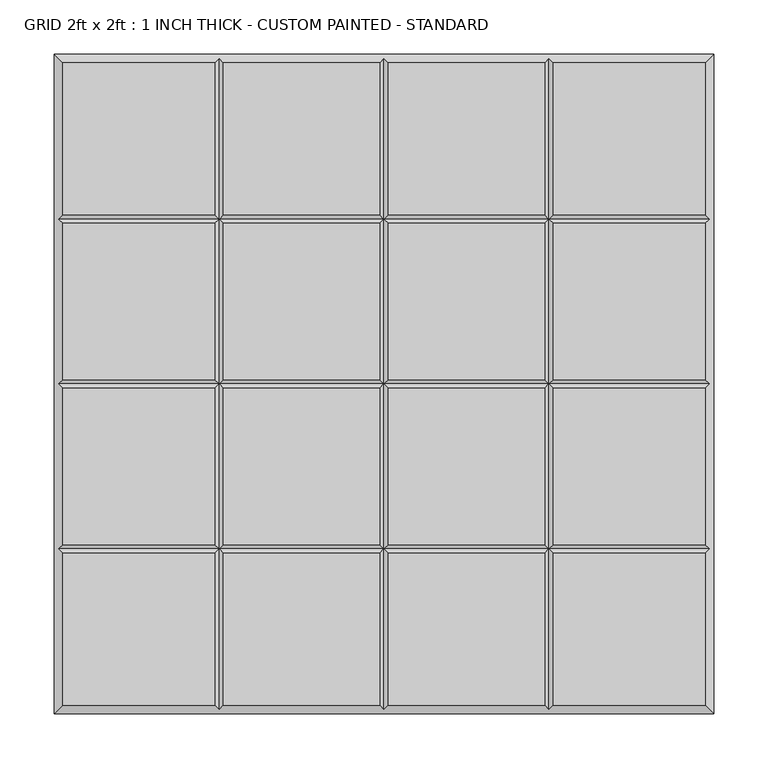
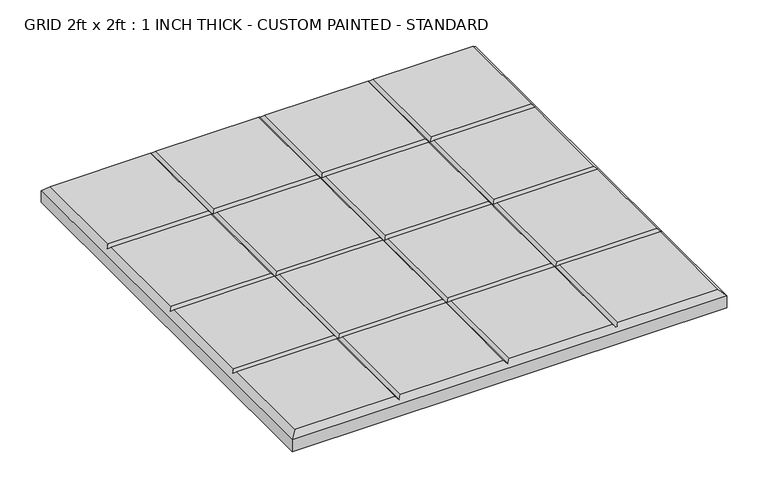
"""IFC4 building model written with IfcOpenShell, lengths in millimetres: proxy geometry, GRID 2ft x 2ft : 1 INCH THICK - CUSTOM PAINTED - STANDARD."""

from ifc_helpers import new_model, si_unit, origin, place, context, project, spatial, faceted_brep, source, transform, mapped, element, save


def grid_2ft_x_2ft_1_inch_thick_custom_painted_standard_1e4c5e93(model_context):
    return source(origin(), model_context, "Body", "Brep", [
        faceted_brep([(-156.4009826, 296.799, 25.4), (-296.799, 296.799, 25.4), (-296.799, 156.4005254, 25.4), (-156.4009826, 156.4005254, 25.4), (-296.799, -296.799, 25.4), (-156.4009826, -296.799, 25.4), (-156.4009826, -156.4004746, 25.4), (-296.799, -156.4004746, 25.4), (-4.0004746, 296.799, 25.4), (-148.3999826, 296.799, 25.4), (-148.3999826, 156.4005254, 25.4), (-4.0004746, 156.4005254, 25.4), (-148.3999826, -296.799, 25.4), (-4.0004746, -296.799, 25.4), (-4.0004746, -156.4004746, 25.4), (-148.3999826, -156.4004746, 25.4), (296.799, 296.799, 25.4), (156.4010334, 296.799, 25.4), (156.4010334, 156.4005254, 25.4), (296.799, 156.4005254, 25.4), (148.4000334, 296.799, 25.4), (4.0005254, 296.799, 25.4), (4.0005254, 156.4005254, 25.4), (148.4000334, 156.4005254, 25.4), (156.4010334, -296.799, 25.4), (296.799, -296.799, 25.4), (296.799, -156.4004746, 25.4), (156.4010334, -156.4004746, 25.4), (4.0005254, -296.799, 25.4), (148.4000334, -296.799, 25.4), (148.4000334, -156.4004746, 25.4), (4.0005254, -156.4004746, 25.4), (-156.4009826, 148.3995254, 25.4), (-296.799, 148.3995254, 25.4), (-296.799, 4.0005254, 25.4), (-156.4009826, 4.0005254, 25.4), (296.799, 148.3995254, 25.4), (156.4010334, 148.3995254, 25.4), (156.4010334, 4.0005254, 25.4), (296.799, 4.0005254, 25.4), (-4.0004746, 148.3995254, 25.4), (-148.3999826, 148.3995254, 25.4), (-148.3999826, 4.0005254, 25.4), (-4.0004746, 4.0005254, 25.4), (148.4000334, 148.3995254, 25.4), (4.0005254, 148.3995254, 25.4), (4.0005254, 4.0005254, 25.4), (148.4000334, 4.0005254, 25.4), (-296.799, -148.3994746, 25.4), (-156.4009826, -148.3994746, 25.4), (-156.4009826, -4.0004746, 25.4), (-296.799, -4.0004746, 25.4), (-148.3999826, -148.3994746, 25.4), (-4.0004746, -148.3994746, 25.4), (-4.0004746, -4.0004746, 25.4), (-148.3999826, -4.0004746, 25.4), (156.4010334, -148.3994746, 25.4), (296.799, -148.3994746, 25.4), (296.799, -4.0004746, 25.4), (156.4010334, -4.0004746, 25.4), (4.0005254, -148.3994746, 25.4), (148.4000334, -148.3994746, 25.4), (148.4000334, -4.0004746, 25.4), (4.0005254, -4.0004746, 25.4), (-304.8, 304.8, 0.0), (304.8, 304.8, 0.0), (304.8, -304.8, 0.0), (-304.8, -304.8, 0.0), (-304.8, -304.8, 17.399), (-304.8, 304.8, 17.399), (304.8, -304.8, 17.399), (304.8, 304.8, 17.399), (-152.4004826, 300.7995, 21.3995), (2.54e-05, 300.7995, 21.3995), (152.4005334, 300.7995, 21.3995), (-300.7995, -152.3999746, 21.3995), (-300.7995, 2.54e-05, 21.3995), (-300.7995, 152.4000254, 21.3995), (152.4005334, -300.7995, 21.3995), (2.54e-05, -300.7995, 21.3995), (-152.4004826, -300.7995, 21.3995), (300.7995, 152.4000254, 21.3995), (300.7995, 2.54e-05, 21.3995), (300.7995, -152.3999746, 21.3995), (-152.4004826, 152.4000254, 21.3995), (-152.4004826, -152.3999746, 21.3995), (-152.4004826, 2.54e-05, 21.3995), (2.54e-05, 152.4000254, 21.3995), (2.54e-05, -152.3999746, 21.3995), (2.54e-05, 2.54e-05, 21.3995), (152.4005334, 152.4000254, 21.3995), (152.4005334, -152.3999746, 21.3995), (152.4005334, 2.54e-05, 21.3995)], [[[0, 1, 2, 3]], [[4, 5, 6, 7]], [[8, 9, 10, 11]], [[12, 13, 14, 15]], [[16, 17, 18, 19]], [[20, 21, 22, 23]], [[24, 25, 26, 27]], [[28, 29, 30, 31]], [[32, 33, 34, 35]], [[36, 37, 38, 39]], [[40, 41, 42, 43]], [[44, 45, 46, 47]], [[48, 49, 50, 51]], [[52, 53, 54, 55]], [[56, 57, 58, 59]], [[60, 61, 62, 63]], [[64, 65, 66, 67]], [[64, 67, 68, 69]], [[67, 66, 70, 68]], [[66, 65, 71, 70]], [[65, 64, 69, 71]], [[69, 1, 0, 72, 9, 8, 73, 21, 20, 74, 17, 16, 71]], [[1, 69, 68, 4, 7, 75, 48, 51, 76, 34, 33, 77, 2]], [[4, 68, 70, 25, 24, 78, 29, 28, 79, 13, 12, 80, 5]], [[71, 16, 19, 81, 36, 39, 82, 58, 57, 83, 26, 25, 70]], [[9, 72, 84, 10]], [[80, 12, 15, 85]], [[41, 84, 86, 42]], [[85, 52, 55, 86]], [[72, 0, 3, 84]], [[5, 80, 85, 6]], [[84, 32, 35, 86]], [[49, 85, 86, 50]], [[21, 73, 87, 22]], [[79, 28, 31, 88]], [[45, 87, 89, 46]], [[88, 60, 63, 89]], [[73, 8, 11, 87]], [[13, 79, 88, 14]], [[87, 40, 43, 89]], [[53, 88, 89, 54]], [[17, 74, 90, 18]], [[78, 24, 27, 91]], [[37, 90, 92, 38]], [[91, 56, 59, 92]], [[74, 20, 23, 90]], [[29, 78, 91, 30]], [[90, 44, 47, 92]], [[61, 91, 92, 62]], [[87, 84, 41, 40]], [[90, 87, 45, 44]], [[84, 77, 33, 32]], [[81, 90, 37, 36]], [[84, 87, 11, 10]], [[87, 90, 23, 22]], [[77, 84, 3, 2]], [[90, 81, 19, 18]], [[88, 85, 15, 14]], [[91, 88, 31, 30]], [[85, 75, 7, 6]], [[83, 91, 27, 26]], [[85, 88, 53, 52]], [[88, 91, 61, 60]], [[75, 85, 49, 48]], [[91, 83, 57, 56]], [[89, 86, 55, 54]], [[92, 89, 63, 62]], [[86, 76, 51, 50]], [[82, 92, 59, 58]], [[86, 89, 43, 42]], [[89, 92, 47, 46]], [[76, 86, 35, 34]], [[92, 82, 39, 38]]]),
    ])


if __name__ == "__main__":
    model = new_model("IFC4")
    model_context = context("Model", 3, world=origin())
    ifc_project = project(units=[si_unit("LENGTHUNIT", "METRE", prefix="MILLI")], contexts=[model_context])
    site = spatial("IfcSite", under=ifc_project)
    building = spatial("IfcBuilding", under=site)
    placement = place(None, origin())
    grid_2ft_x_2ft_1_inch_thick_custom_painted_standard_shape = grid_2ft_x_2ft_1_inch_thick_custom_painted_standard_1e4c5e93(model_context)
    element("IfcBuildingElementProxy", 1, Name="GRID 2ft x 2ft : 1 INCH THICK - CUSTOM PAINTED - STANDARD", ObjectType="GRID 2ft x 2ft : 1 INCH THICK - CUSTOM PAINTED - STANDARD", at=placement, inside=building, context=model_context, shape_type="MappedRepresentation", body=[
        mapped(grid_2ft_x_2ft_1_inch_thick_custom_painted_standard_shape, transform((0.0, 0.0, 0.0), x_axis=(1.0, 0.0, 0.0), y_axis=(0.0, 1.0, 0.0), z_axis=(0.0, 0.0, 1.0))),
    ])
    save(model, "model.ifc")
